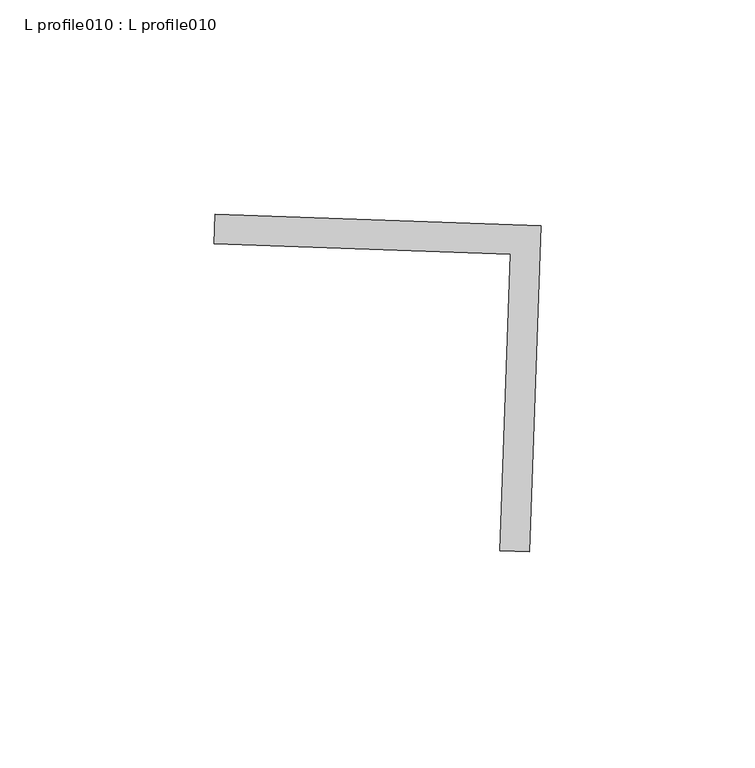
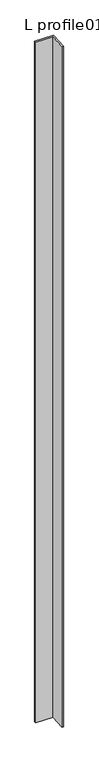
"""IFC4 building model written with IfcOpenShell, lengths in millimetres: proxy geometry, L profile010 : L profile010."""

from ifc_helpers import new_model, si_unit, frame, origin, place, context, project, spatial, polyline, outline, extrude, source, transform, mapped, element, save


def l_profile010_l_profile010_43778402(model_context):
    return source(origin(), model_context, "Body", "SweptSolid", [
        extrude(outline(polyline([(18014.3150367, -14603.8817794), (18011.6387109, -14680.0347655), (18004.7010994, -14679.7909496), (18007.1336093, -14610.575575), (17937.9182348, -14608.1430652), (17938.1620507, -14601.2054537), (18014.3150367, -14603.8817794)])), frame((0.0, 0.0, 73.975708), z_axis=(0.0, 0.0, 1.0), x_axis=(1.0, 0.0, 0.0)), (0.0, 0.0, 1.0), 2959.106901),
    ])


if __name__ == "__main__":
    model = new_model("IFC4")
    model_context = context("Model", 3, world=origin())
    ifc_project = project(units=[si_unit("LENGTHUNIT", "METRE", prefix="MILLI")], contexts=[model_context])
    site = spatial("IfcSite", under=ifc_project)
    building = spatial("IfcBuilding", under=site)
    placement = place(None, origin())
    l_profile010_l_profile010_shape = l_profile010_l_profile010_43778402(model_context)
    element("IfcBuildingElementProxy", 1, Name="L profile010 : L profile010", ObjectType="L profile010 : L profile010", at=placement, inside=building, context=model_context, shape_type="MappedRepresentation", body=[
        mapped(l_profile010_l_profile010_shape, transform((0.0, 0.0, 0.0), x_axis=(1.0, 0.0, 0.0), y_axis=(0.0, 1.0, 0.0), z_axis=(0.0, 0.0, 1.0))),
    ])
    save(model, "model.ifc")
